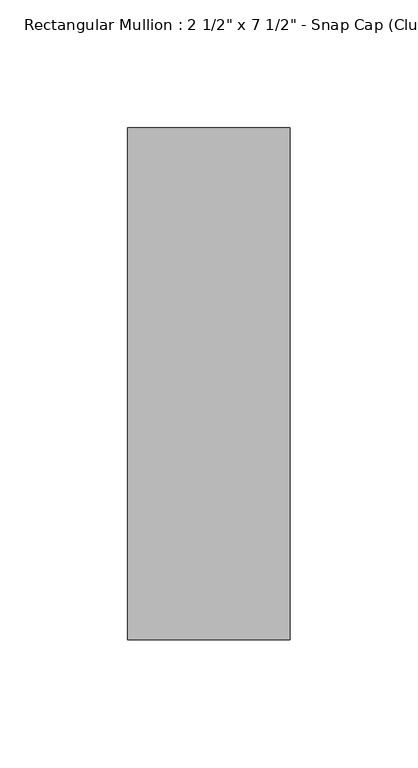
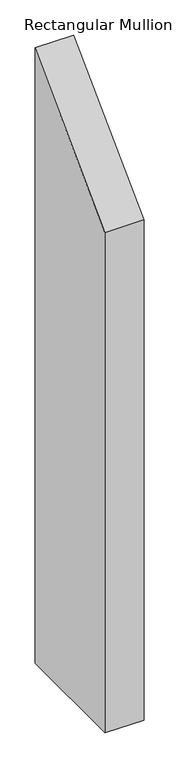
"""IFC4 building model written with IfcOpenShell, lengths in millimetres: member geometry."""

from ifc_helpers import new_model, si_unit, frame, origin, place, context, project, spatial, polyline, outline, extrude, source, transform, mapped, element, save


def member_ed238f10(model_context):
    return source(origin(), model_context, "Body", "SweptSolid", [
        extrude(outline(polyline([(-174.2, -174.2), (25.8, 25.8), (25.8, -1043.2727273), (-174.2, -1043.2727273), (-174.2, -174.2)])), frame((-63.5, 0.0, 0.0), z_axis=(1.0, 0.0, 0.0), x_axis=(0.0, 1.0, 0.0)), (0.0, 0.0, 1.0), 63.5),
    ])


if __name__ == "__main__":
    model = new_model("IFC4")
    model_context = context("Model", 3, world=origin())
    ifc_project = project(units=[si_unit("LENGTHUNIT", "METRE", prefix="MILLI")], contexts=[model_context])
    site = spatial("IfcSite", under=ifc_project)
    building = spatial("IfcBuilding", under=site)
    placement = place(None, origin())
    member_shape = member_ed238f10(model_context)
    element("IfcMember", 1, ObjectType="Rectangular Mullion : 2 1/2\" x 7 1/2\" - Snap Cap (Club)", at=placement, inside=building, context=model_context, shape_type="MappedRepresentation", body=[
        mapped(member_shape, transform((0.0, 0.0, 0.0), x_axis=(1.0, 0.0, 0.0), y_axis=(0.0, 1.0, 0.0), z_axis=(0.0, 0.0, 1.0))),
    ])
    save(model, "model.ifc")
